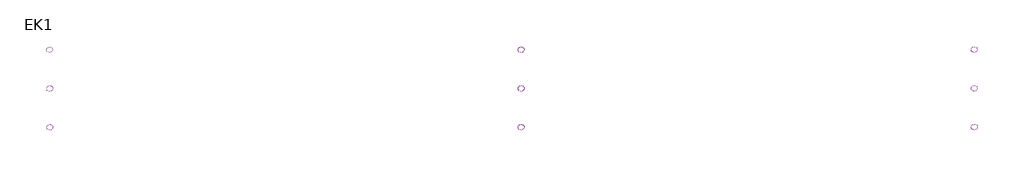
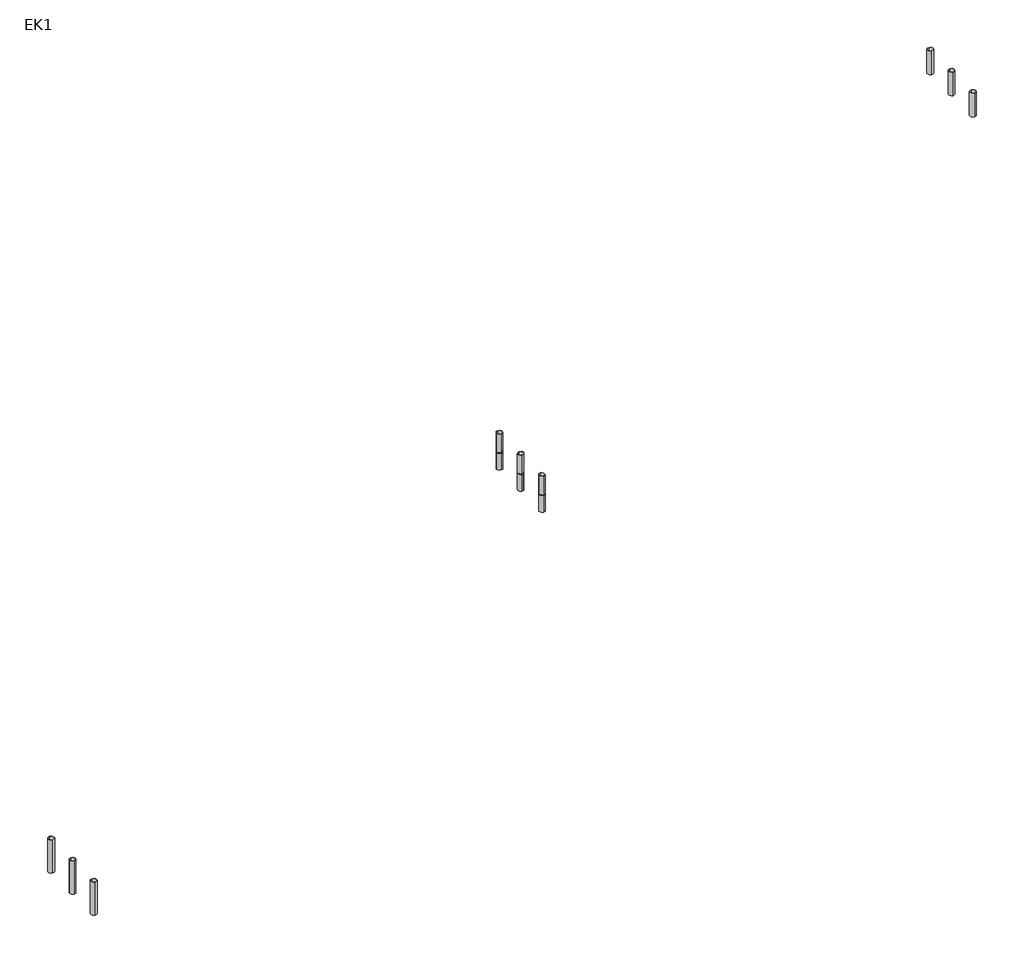
# One storey: 12 columns.
"""IFC4 building model written with IfcOpenShell, lengths in millimetres."""

from ifc_helpers import new_model, si_unit, point, frame, frame_2d, origin, place, context, project, spatial, circle_curve, trimmed, segment, composite_curve, outline, extrude, element, save

model = new_model("IFC4")

# Units and contexts
model_context = context("Model", 3, world=origin())
ifc_project = project(units=[si_unit("LENGTHUNIT", "METRE", prefix="MILLI")], contexts=[model_context])

# Site, building, storey
site = spatial("IfcSite", under=ifc_project)
building = spatial("IfcBuilding", under=site)
storey = spatial("IfcBuildingStorey", under=building, Name="EK1", Elevation=0.0)

# Columns
placement = place(None, origin())
element("IfcColumn", 1, ObjectType="COL O56x3", at=placement, inside=storey, context=model_context, shape_type="SweptSolid", body=[
    extrude(outline(composite_curve([segment(trimmed(circle_curve(frame_2d((263961.8256242, -188264.9556733)), 28.0), [point((263961.8272377, -188292.9556732))], [point((263961.8240107, -188236.9556733))], False, "CARTESIAN"), True, "CONTINUOUS"), segment(trimmed(circle_curve(frame_2d((263961.8256242, -188264.9556733)), 28.0), [point((263961.8240107, -188236.9556733))], [point((263961.8272377, -188292.9556732))], False, "CARTESIAN"), True, "CONTINUOUS")], self_intersect=False), holes=[composite_curve([segment(trimmed(circle_curve(frame_2d((263961.8256242, -188264.9556733)), 25.0), [point((263961.8270649, -188289.9556732))], [point((263961.8241836, -188239.9556733))], True, "CARTESIAN"), True, "CONTINUOUS"), segment(trimmed(circle_curve(frame_2d((263961.8256242, -188264.9556733)), 25.0), [point((263961.8241836, -188239.9556733))], [point((263961.8270649, -188289.9556732))], True, "CARTESIAN"), True, "CONTINUOUS")], self_intersect=False)]), frame((0.0, 0.0, 19389.2998251), z_axis=(0.0, 0.0, 1.0), x_axis=(1.0, 0.0, 0.0)), (0.0, 0.0, 1.0), 185.6999999),
])
element("IfcColumn", 2, ObjectType="COL O56x3", at=placement, inside=storey, context=model_context, shape_type="SweptSolid", body=[
    extrude(outline(composite_curve([segment(trimmed(circle_curve(frame_2d((263961.8659947, -188964.9556721)), 28.0), [point((263961.8676082, -188992.955672))], [point((263961.8643812, -188936.9556721))], False, "CARTESIAN"), True, "CONTINUOUS"), segment(trimmed(circle_curve(frame_2d((263961.8659947, -188964.9556721)), 28.0), [point((263961.8643812, -188936.9556721))], [point((263961.8676082, -188992.955672))], False, "CARTESIAN"), True, "CONTINUOUS")], self_intersect=False), holes=[composite_curve([segment(trimmed(circle_curve(frame_2d((263961.8659947, -188964.9556721)), 25.0), [point((263961.8674353, -188989.955672))], [point((263961.8645541, -188939.9556721))], True, "CARTESIAN"), True, "CONTINUOUS"), segment(trimmed(circle_curve(frame_2d((263961.8659947, -188964.9556721)), 25.0), [point((263961.8645541, -188939.9556721))], [point((263961.8674353, -188989.955672))], True, "CARTESIAN"), True, "CONTINUOUS")], self_intersect=False)]), frame((0.0, 0.0, 19389.2998251), z_axis=(0.0, 0.0, 1.0), x_axis=(1.0, 0.0, 0.0)), (0.0, 0.0, 1.0), 185.6999999),
])
element("IfcColumn", 3, ObjectType="COL O56x3", at=placement, inside=storey, context=model_context, shape_type="SweptSolid", body=[
    extrude(outline(composite_curve([segment(trimmed(circle_curve(frame_2d((263961.8458093, -188614.9556727)), 28.0), [point((263961.8474228, -188642.9556726))], [point((263961.8441958, -188586.9556727))], False, "CARTESIAN"), True, "CONTINUOUS"), segment(trimmed(circle_curve(frame_2d((263961.8458093, -188614.9556727)), 28.0), [point((263961.8441958, -188586.9556727))], [point((263961.8474228, -188642.9556726))], False, "CARTESIAN"), True, "CONTINUOUS")], self_intersect=False), holes=[composite_curve([segment(trimmed(circle_curve(frame_2d((263961.8458093, -188614.9556727)), 25.0), [point((263961.8472499, -188639.9556726))], [point((263961.8443687, -188589.9556727))], True, "CARTESIAN"), True, "CONTINUOUS"), segment(trimmed(circle_curve(frame_2d((263961.8458093, -188614.9556727)), 25.0), [point((263961.8443687, -188589.9556727))], [point((263961.8472499, -188639.9556726))], True, "CARTESIAN"), True, "CONTINUOUS")], self_intersect=False)]), frame((0.0, 0.0, 19389.2998251), z_axis=(0.0, 0.0, 1.0), x_axis=(1.0, 0.0, 0.0)), (0.0, 0.0, 1.0), 185.6999999),
])
element("IfcColumn", 4, ObjectType="COL O56x3", at=placement, inside=storey, context=model_context, shape_type="SweptSolid", body=[
    extrude(outline(composite_curve([segment(trimmed(circle_curve(frame_2d((268056.8156322, -188264.9795061)), 28.0), [point((268056.8172457, -188292.979506))], [point((268056.8140187, -188236.9795061))], False, "CARTESIAN"), True, "CONTINUOUS"), segment(trimmed(circle_curve(frame_2d((268056.8156322, -188264.9795061)), 28.0), [point((268056.8140187, -188236.9795061))], [point((268056.8172457, -188292.979506))], False, "CARTESIAN"), True, "CONTINUOUS")], self_intersect=False), holes=[composite_curve([segment(trimmed(circle_curve(frame_2d((268056.8156322, -188264.9795061)), 25.0), [point((268056.8170728, -188289.979506))], [point((268056.8141915, -188239.9795061))], True, "CARTESIAN"), True, "CONTINUOUS"), segment(trimmed(circle_curve(frame_2d((268056.8156322, -188264.9795061)), 25.0), [point((268056.8141915, -188239.9795061))], [point((268056.8170728, -188289.979506))], True, "CARTESIAN"), True, "CONTINUOUS")], self_intersect=False)]), frame((0.0, 0.0, 21752.7998251), z_axis=(0.0, 0.0, 1.0), x_axis=(1.0, 0.0, 0.0)), (0.0, 0.0, 1.0), 237.2),
])
element("IfcColumn", 5, ObjectType="COL O56x3", at=placement, inside=storey, context=model_context, shape_type="SweptSolid", body=[
    extrude(outline(composite_curve([segment(trimmed(circle_curve(frame_2d((268056.8358175, -188614.9795055)), 28.0), [point((268056.837435, -188642.9795054))], [point((268056.8342001, -188586.9795055))], False, "CARTESIAN"), True, "CONTINUOUS"), segment(trimmed(circle_curve(frame_2d((268056.8358175, -188614.9795055)), 28.0), [point((268056.8342001, -188586.9795055))], [point((268056.837435, -188642.9795054))], False, "CARTESIAN"), True, "CONTINUOUS")], self_intersect=False), holes=[composite_curve([segment(trimmed(circle_curve(frame_2d((268056.8358175, -188614.9795055)), 25.0), [point((268056.8372617, -188639.9795054))], [point((268056.8343734, -188589.9795055))], True, "CARTESIAN"), True, "CONTINUOUS"), segment(trimmed(circle_curve(frame_2d((268056.8358175, -188614.9795055)), 25.0), [point((268056.8343734, -188589.9795055))], [point((268056.8372617, -188639.9795054))], True, "CARTESIAN"), True, "CONTINUOUS")], self_intersect=False)]), frame((0.0, 0.0, 21752.7998251), z_axis=(0.0, 0.0, 1.0), x_axis=(1.0, 0.0, 0.0)), (0.0, 0.0, 1.0), 237.2),
])
element("IfcColumn", 6, ObjectType="COL O56x3", at=placement, inside=storey, context=model_context, shape_type="SweptSolid", body=[
    extrude(outline(composite_curve([segment(trimmed(circle_curve(frame_2d((268056.8560028, -188964.9795049)), 28.0), [point((268056.8576163, -188992.9795048))], [point((268056.8543893, -188936.9795049))], False, "CARTESIAN"), True, "CONTINUOUS"), segment(trimmed(circle_curve(frame_2d((268056.8560028, -188964.9795049)), 28.0), [point((268056.8543893, -188936.9795049))], [point((268056.8576163, -188992.9795048))], False, "CARTESIAN"), True, "CONTINUOUS")], self_intersect=False), holes=[composite_curve([segment(trimmed(circle_curve(frame_2d((268056.8560028, -188964.9795049)), 25.0), [point((268056.8574434, -188989.9795048))], [point((268056.8545621, -188939.9795049))], True, "CARTESIAN"), True, "CONTINUOUS"), segment(trimmed(circle_curve(frame_2d((268056.8560028, -188964.9795049)), 25.0), [point((268056.8545621, -188939.9795049))], [point((268056.8574434, -188989.9795048))], True, "CARTESIAN"), True, "CONTINUOUS")], self_intersect=False)]), frame((0.0, 0.0, 21752.7998251), z_axis=(0.0, 0.0, 1.0), x_axis=(1.0, 0.0, 0.0)), (0.0, 0.0, 1.0), 237.2),
])
element("IfcColumn", 7, ObjectType="COL O56x3", at=placement, inside=storey, context=model_context, shape_type="SweptSolid", body=[
    extrude(outline(composite_curve([segment(trimmed(circle_curve(frame_2d((259701.8256175, -188264.9613569)), 28.0), [point((259701.827231, -188292.9613569))], [point((259701.824004, -188236.9613569))], False, "CARTESIAN"), True, "CONTINUOUS"), segment(trimmed(circle_curve(frame_2d((259701.8256175, -188264.9613569)), 28.0), [point((259701.824004, -188236.9613569))], [point((259701.827231, -188292.9613569))], False, "CARTESIAN"), True, "CONTINUOUS")], self_intersect=False), holes=[composite_curve([segment(trimmed(circle_curve(frame_2d((259701.8256175, -188264.9613569)), 25.0), [point((259701.8270582, -188289.9613569))], [point((259701.8241769, -188239.9613569))], True, "CARTESIAN"), True, "CONTINUOUS"), segment(trimmed(circle_curve(frame_2d((259701.8256175, -188264.9613569)), 25.0), [point((259701.8241769, -188239.9613569))], [point((259701.8270582, -188289.9613569))], True, "CARTESIAN"), True, "CONTINUOUS")], self_intersect=False)]), frame((0.0, 0.0, 16655.0198251), z_axis=(0.0, 0.0, 1.0), x_axis=(1.0, 0.0, 0.0)), (0.0, 0.0, 1.0), 332.4999999),
])
element("IfcColumn", 8, ObjectType="COL O56x3", at=placement, inside=storey, context=model_context, shape_type="SweptSolid", body=[
    extrude(outline(composite_curve([segment(trimmed(circle_curve(frame_2d((259701.845803, -188614.9613564)), 28.0), [point((259701.8474165, -188642.9613564))], [point((259701.8441895, -188586.9613565))], False, "CARTESIAN"), True, "CONTINUOUS"), segment(trimmed(circle_curve(frame_2d((259701.845803, -188614.9613564)), 28.0), [point((259701.8441895, -188586.9613565))], [point((259701.8474165, -188642.9613564))], False, "CARTESIAN"), True, "CONTINUOUS")], self_intersect=False), holes=[composite_curve([segment(trimmed(circle_curve(frame_2d((259701.845803, -188614.9613564)), 25.0), [point((259701.8472437, -188639.9613564))], [point((259701.8443624, -188589.9613565))], True, "CARTESIAN"), True, "CONTINUOUS"), segment(trimmed(circle_curve(frame_2d((259701.845803, -188614.9613564)), 25.0), [point((259701.8443624, -188589.9613565))], [point((259701.8472437, -188639.9613564))], True, "CARTESIAN"), True, "CONTINUOUS")], self_intersect=False)]), frame((0.0, 0.0, 16655.0198251), z_axis=(0.0, 0.0, 1.0), x_axis=(1.0, 0.0, 0.0)), (0.0, 0.0, 1.0), 332.4999999),
])
element("IfcColumn", 9, ObjectType="COL O56x3", at=placement, inside=storey, context=model_context, shape_type="SweptSolid", body=[
    extrude(outline(composite_curve([segment(trimmed(circle_curve(frame_2d((259701.8659883, -188964.9613557)), 28.0), [point((259701.8675978, -188992.9613557))], [point((259701.8643787, -188936.9613558))], False, "CARTESIAN"), True, "CONTINUOUS"), segment(trimmed(circle_curve(frame_2d((259701.8659883, -188964.9613557)), 28.0), [point((259701.8643787, -188936.9613558))], [point((259701.8675978, -188992.9613557))], False, "CARTESIAN"), True, "CONTINUOUS")], self_intersect=False), holes=[composite_curve([segment(trimmed(circle_curve(frame_2d((259701.8659883, -188964.9613557)), 25.0), [point((259701.8674253, -188989.9613557))], [point((259701.8645512, -188939.9613558))], True, "CARTESIAN"), True, "CONTINUOUS"), segment(trimmed(circle_curve(frame_2d((259701.8659883, -188964.9613557)), 25.0), [point((259701.8645512, -188939.9613558))], [point((259701.8674253, -188989.9613557))], True, "CARTESIAN"), True, "CONTINUOUS")], self_intersect=False)]), frame((0.0, 0.0, 16655.0198251), z_axis=(0.0, 0.0, 1.0), x_axis=(1.0, 0.0, 0.0)), (0.0, 0.0, 1.0), 332.4999999),
])
element("IfcColumn", 10, ObjectType="COL O56x3", at=placement, inside=storey, context=model_context, shape_type="SweptSolid", body=[
    extrude(outline(composite_curve([segment(trimmed(circle_curve(frame_2d((263961.6356279, -188265.0256844)), 28.0), [point((263961.6372374, -188293.0256843))], [point((263961.6340184, -188237.0256844))], False, "CARTESIAN"), True, "CONTINUOUS"), segment(trimmed(circle_curve(frame_2d((263961.6356279, -188265.0256844)), 28.0), [point((263961.6340184, -188237.0256844))], [point((263961.6372374, -188293.0256843))], False, "CARTESIAN"), True, "CONTINUOUS")], self_intersect=False), holes=[composite_curve([segment(trimmed(circle_curve(frame_2d((263961.6356279, -188265.0256844)), 25.0), [point((263961.637065, -188290.0256843))], [point((263961.6341908, -188240.0256844))], True, "CARTESIAN"), True, "CONTINUOUS"), segment(trimmed(circle_curve(frame_2d((263961.6356279, -188265.0256844)), 25.0), [point((263961.6341908, -188240.0256844))], [point((263961.637065, -188290.0256843))], True, "CARTESIAN"), True, "CONTINUOUS")], self_intersect=False)]), frame((0.0, 0.0, 19213.0898251), z_axis=(0.0, 0.0, 1.0), x_axis=(1.0, 0.0, 0.0)), (0.0, 0.0, 1.0), 165.7399999),
])
element("IfcColumn", 11, ObjectType="COL O56x3", at=placement, inside=storey, context=model_context, shape_type="SweptSolid", body=[
    extrude(outline(composite_curve([segment(trimmed(circle_curve(frame_2d((263961.6558134, -188615.0256835)), 28.0), [point((263961.6574269, -188643.0256835))], [point((263961.6541999, -188587.0256836))], False, "CARTESIAN"), True, "CONTINUOUS"), segment(trimmed(circle_curve(frame_2d((263961.6558134, -188615.0256835)), 28.0), [point((263961.6541999, -188587.0256836))], [point((263961.6574269, -188643.0256835))], False, "CARTESIAN"), True, "CONTINUOUS")], self_intersect=False), holes=[composite_curve([segment(trimmed(circle_curve(frame_2d((263961.6558134, -188615.0256835)), 25.0), [point((263961.657254, -188640.0256835))], [point((263961.6543728, -188590.0256836))], True, "CARTESIAN"), True, "CONTINUOUS"), segment(trimmed(circle_curve(frame_2d((263961.6558134, -188615.0256835)), 25.0), [point((263961.6543728, -188590.0256836))], [point((263961.657254, -188640.0256835))], True, "CARTESIAN"), True, "CONTINUOUS")], self_intersect=False)]), frame((0.0, 0.0, 19213.0898251), z_axis=(0.0, 0.0, 1.0), x_axis=(1.0, 0.0, 0.0)), (0.0, 0.0, 1.0), 165.7399999),
])
element("IfcColumn", 12, ObjectType="COL O56x3", at=placement, inside=storey, context=model_context, shape_type="SweptSolid", body=[
    extrude(outline(composite_curve([segment(trimmed(circle_curve(frame_2d((263961.6759986, -188965.0256831)), 28.0), [point((263961.6776121, -188993.025683))], [point((263961.6743851, -188937.0256831))], False, "CARTESIAN"), True, "CONTINUOUS"), segment(trimmed(circle_curve(frame_2d((263961.6759986, -188965.0256831)), 28.0), [point((263961.6743851, -188937.0256831))], [point((263961.6776121, -188993.025683))], False, "CARTESIAN"), True, "CONTINUOUS")], self_intersect=False), holes=[composite_curve([segment(trimmed(circle_curve(frame_2d((263961.6759986, -188965.0256831)), 25.0), [point((263961.6774392, -188990.025683))], [point((263961.674558, -188940.0256831))], True, "CARTESIAN"), True, "CONTINUOUS"), segment(trimmed(circle_curve(frame_2d((263961.6759986, -188965.0256831)), 25.0), [point((263961.674558, -188940.0256831))], [point((263961.6774392, -188990.025683))], True, "CARTESIAN"), True, "CONTINUOUS")], self_intersect=False)]), frame((0.0, 0.0, 19213.0898251), z_axis=(0.0, 0.0, 1.0), x_axis=(1.0, 0.0, 0.0)), (0.0, 0.0, 1.0), 165.7399999),
])

save(model, "model.ifc")
